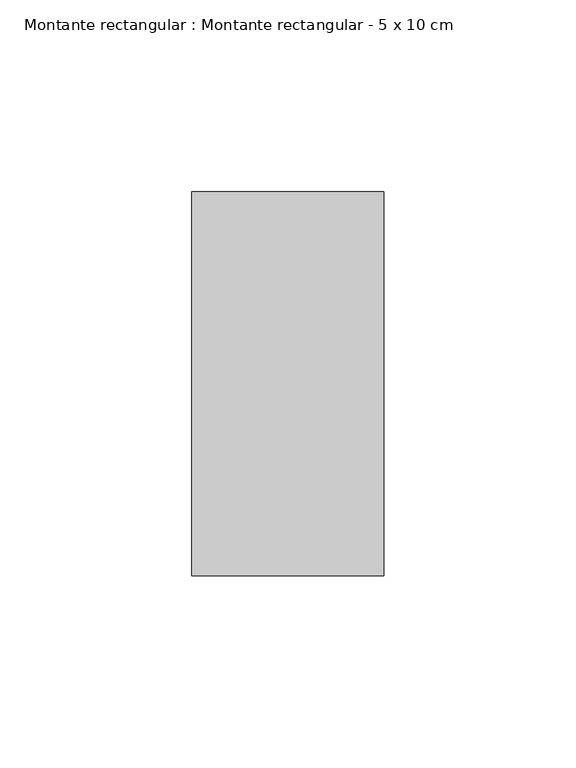
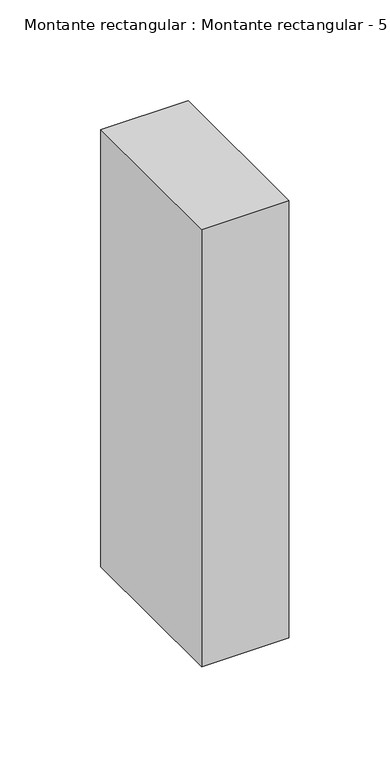
"""IFC4 building model written with IfcOpenShell, lengths in millimetres: member geometry, Montante rectangular : Montante rectangular - 5 x 10 cm."""

import ifcopenshell
import ifcopenshell.guid

model = None  # the IFC model being written
_history = None  # IfcOwnerHistory: only IFC2X3 demands one
_inside = {}  # id of a spatial element -> (the spatial element, [elements in it])
_under = {}  # id of a project, library or spatial element -> (it, [spatial elements below it])
_declared = {}  # id of a project -> (the project, [libraries it declares])
_typed = {}  # id of a type object -> (the type object, [elements of that type])
_made_of = {}  # id of a material, layer set ... -> (it, [elements and type objects made of it])


def new_model(schema):
    """Start an empty IFC model of exactly this schema.

    Asked for "IFC4X3", IfcOpenShell would pick the latest addendum, in which some entities
    have other attributes; the version numbers below select the first issue.
    IFC2X3 requires an IfcOwnerHistory on every rooted entity: one is made here for all.
    """
    global model, _history
    if schema == "IFC4X3":
        model = ifcopenshell.file(schema_version=(4, 3, 0, 0))
    else:
        model = ifcopenshell.file(schema=schema)
    _inside.clear()
    _under.clear()
    _declared.clear()
    _typed.clear()
    _made_of.clear()
    _history = None
    if model.schema == "IFC2X3":
        org = make("IfcOrganization", Name="unknown")
        user = make(
            "IfcPersonAndOrganization",
            ThePerson=make("IfcPerson", FamilyName="unknown"),
            TheOrganization=org,
        )
        app = make(
            "IfcApplication",
            ApplicationDeveloper=org,
            Version="unknown",
            ApplicationFullName="unknown",
            ApplicationIdentifier="unknown",
        )
        _history = make(
            "IfcOwnerHistory",
            OwningUser=user,
            OwningApplication=app,
            ChangeAction="ADDED",
            CreationDate=0,
        )
    return model


def make(cls, **values):
    """One entity of the class cls with the attributes given. An attribute that is None is left unset."""
    return model.create_entity(
        cls, **{name: value for name, value in values.items() if value is not None}
    )


def rooted(cls, **values):
    """An entity with a GlobalId (a new one), such as an element, a storey or a relation."""
    return make(cls, GlobalId=ifcopenshell.guid.new(), OwnerHistory=_history, **values)


def si_unit(unit_type, name, prefix=None):
    """IfcSIUnit, for example si_unit("LENGTHUNIT", "METRE", prefix="MILLI")."""
    return make("IfcSIUnit", UnitType=unit_type, Prefix=prefix, Name=name)


def assignment(units):
    """IfcUnitAssignment: the units of a project."""
    return None if units is None else make("IfcUnitAssignment", Units=units)


def point(xyz):
    """IfcCartesianPoint."""
    return None if xyz is None else make("IfcCartesianPoint", Coordinates=xyz)


def direction(xyz):
    """IfcDirection."""
    return None if xyz is None else make("IfcDirection", DirectionRatios=xyz)


def frame(location, z_axis=None, x_axis=None):
    """IfcAxis2Placement3D, a coordinate frame: its origin and axes. An axis left out is left unset."""
    return make(
        "IfcAxis2Placement3D",
        Location=point(location),
        Axis=direction(z_axis),
        RefDirection=direction(x_axis),
    )


def origin():
    """The frame at (0, 0, 0) with its axes left unset."""
    return frame((0.0, 0.0, 0.0))


def place(relative_to, where):
    """IfcLocalPlacement: puts the frame where relative to a parent placement (None: the world)."""
    return make(
        "IfcLocalPlacement", PlacementRelTo=relative_to, RelativePlacement=where
    )


def context(
    kind, dimensions, precision=None, world=None, true_north=None, identifier=None
):
    """IfcGeometricRepresentationContext, for example the 3D "Model" context."""
    return make(
        "IfcGeometricRepresentationContext",
        ContextIdentifier=identifier,
        ContextType=kind,
        CoordinateSpaceDimension=dimensions,
        Precision=precision,
        WorldCoordinateSystem=world,
        TrueNorth=true_north,
    )


def project(units=None, contexts=None):
    """IfcProject with its units and contexts."""
    return rooted(
        "IfcProject",
        Name="project",
        RepresentationContexts=contexts,
        UnitsInContext=assignment(units),
    )


def spatial(cls, under=None, at=None, **own):
    """A site, building, storey or space (cls), placed at a placement, below another one or the project."""
    s = rooted(cls, ObjectPlacement=at, **own)
    if under is not None:
        _under.setdefault(under.id(), (under, []))[1].append(s)
    return s


def polyline(points):
    """IfcPolyline through the points."""
    return make("IfcPolyline", Points=[point(p) for p in points])


def outline(outer, holes=None, kind="AREA"):
    """IfcArbitraryClosedProfileDef: a profile drawn as a closed curve; with holes, ...WithVoids."""
    if holes is None:
        return make("IfcArbitraryClosedProfileDef", ProfileType=kind, OuterCurve=outer)
    return make(
        "IfcArbitraryProfileDefWithVoids",
        ProfileType=kind,
        OuterCurve=outer,
        InnerCurves=holes,
    )


def extrude(swept, where, along, depth):
    """IfcExtrudedAreaSolid: the profile swept, set in the frame where, extruded along a direction by depth."""
    return make(
        "IfcExtrudedAreaSolid",
        SweptArea=swept,
        Position=where,
        ExtrudedDirection=direction(along),
        Depth=depth,
    )


def shape(context_of_items, identifier, shape_type, items):
    """IfcShapeRepresentation: the items that make up one representation, for example the "Body"."""
    return make(
        "IfcShapeRepresentation",
        ContextOfItems=context_of_items,
        RepresentationIdentifier=identifier,
        RepresentationType=shape_type,
        Items=items,
    )


def source(mapping_origin, context_of_items, identifier, shape_type, items):
    """IfcRepresentationMap: a shape defined once, which mapped items show again and again."""
    return make(
        "IfcRepresentationMap",
        MappingOrigin=mapping_origin,
        MappedRepresentation=shape(context_of_items, identifier, shape_type, items),
    )


def transform(
    local_origin,
    x_axis=None,
    y_axis=None,
    z_axis=None,
    scale=None,
    scale2=None,
    scale3=None,
    uniform=True,
):
    """IfcCartesianTransformationOperator3D, or its non-uniform kind. x_axis, y_axis, z_axis: its Axis1, 2, 3."""
    if uniform:
        return make(
            "IfcCartesianTransformationOperator3D",
            Axis1=direction(x_axis),
            Axis2=direction(y_axis),
            LocalOrigin=point(local_origin),
            Scale=scale,
            Axis3=direction(z_axis),
        )
    return make(
        "IfcCartesianTransformationOperator3DnonUniform",
        Axis1=direction(x_axis),
        Axis2=direction(y_axis),
        LocalOrigin=point(local_origin),
        Scale=scale,
        Axis3=direction(z_axis),
        Scale2=scale2,
        Scale3=scale3,
    )


def mapped(mapping_source, mapping_target):
    """IfcMappedItem: shows the shape of a source again, moved by a transform."""
    return make(
        "IfcMappedItem", MappingSource=mapping_source, MappingTarget=mapping_target
    )


def made_of(thing, what):
    """Note that an element or type object is made of a material, layer set ...; save() writes the relation."""
    if what is not None:
        _made_of.setdefault(what.id(), (what, []))[1].append(thing)
    return thing


def element(
    cls,
    number,
    at=None,
    inside=None,
    cuts=None,
    type_object=None,
    material=None,
    context=None,
    identifier="Body",
    shape_type=None,
    held_by="IfcProductDefinitionShape",
    body=None,
    shapes=None,
    **own,
):
    """One element of the class cls, such as IfcWall. Its Tag is "e" and its number.

    at: its placement. inside: the storey or other place that contains it. cuts: it is an
    opening in that element (IfcRelVoidsElement). A single representation is given by context,
    identifier, shape_type and body (its items); several are given by shapes. held_by: the class
    of the entity that holds the representations. save() writes the other relations.
    """
    e = rooted(cls, Tag="e%d" % number, ObjectPlacement=at, **own)
    if body is not None:
        shapes = [shape(context, identifier, shape_type, body)]
    if shapes is not None:
        e.Representation = make(held_by, Representations=shapes)
    if inside is not None:
        _inside.setdefault(inside.id(), (inside, []))[1].append(e)
    if cuts is not None:
        rooted(
            "IfcRelVoidsElement", RelatingBuildingElement=cuts, RelatedOpeningElement=e
        )
    if type_object is not None:
        _typed.setdefault(type_object.id(), (type_object, []))[1].append(e)
    return made_of(e, material)


def aggregate(whole, parts):
    """IfcRelAggregates: a whole, such as a stair, and the parts it consists of."""
    return rooted("IfcRelAggregates", RelatingObject=whole, RelatedObjects=parts)


def save(model, path):
    """Write the relations noted so far, then the file.

    IfcRelAggregates (storeys below a building ...), IfcRelContainedInSpatialStructure (elements
    in a storey), IfcRelDefinesByType, IfcRelAssociatesMaterial and IfcRelDeclares: one each for
    every whole, place, type object, material and project.
    """
    for whole, parts in _under.values():
        aggregate(whole, parts)
    for where, things in _inside.values():
        rooted(
            "IfcRelContainedInSpatialStructure",
            RelatedElements=things,
            RelatingStructure=where,
        )
    for kind, things in _typed.values():
        rooted("IfcRelDefinesByType", RelatedObjects=things, RelatingType=kind)
    for what, things in _made_of.values():
        rooted("IfcRelAssociatesMaterial", RelatedObjects=things, RelatingMaterial=what)
    for by, libraries in _declared.values():
        rooted("IfcRelDeclares", RelatingContext=by, RelatedDefinitions=libraries)
    model.write(path)


def montante_rectangular_montante_rectangular_5_x_10_cm_1303dca0(model_context):
    return source(origin(), model_context, "Body", "SweptSolid", [
        extrude(outline(polyline([(0.0, 50.0), (0.0, -50.0), (-50.0, -50.0), (-50.0, 50.0), (0.0, 50.0)])), frame((0.0, 0.0, -265.0), z_axis=(0.0, 0.0, 1.0), x_axis=(1.0, 0.0, 0.0)), (0.0, 0.0, 1.0), 265.0),
    ])


if __name__ == "__main__":
    model = new_model("IFC4")
    model_context = context("Model", 3, world=origin())
    ifc_project = project(units=[si_unit("LENGTHUNIT", "METRE", prefix="MILLI")], contexts=[model_context])
    site = spatial("IfcSite", under=ifc_project)
    building = spatial("IfcBuilding", under=site)
    placement = place(None, origin())
    montante_rectangular_montante_rectangular_5_x_10_cm_shape = montante_rectangular_montante_rectangular_5_x_10_cm_1303dca0(model_context)
    element("IfcMember", 1, ObjectType="Montante rectangular : Montante rectangular - 5 x 10 cm", at=placement, inside=building, context=model_context, shape_type="MappedRepresentation", body=[
        mapped(montante_rectangular_montante_rectangular_5_x_10_cm_shape, transform((0.0, 0.0, 0.0), x_axis=(1.0, 0.0, 0.0), y_axis=(0.0, 1.0, 0.0), z_axis=(0.0, 0.0, 1.0))),
    ])
    save(model, "model.ifc")
